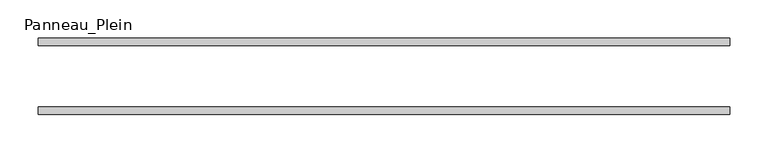
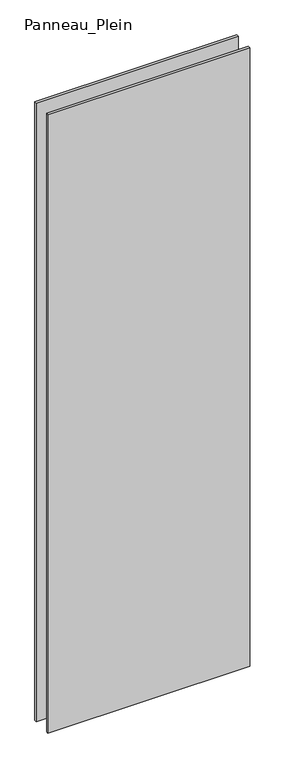
"""IFC4 building model written with IfcOpenShell, lengths in millimetres: plate geometry, Panneau_Plein."""

from ifc_helpers import new_model, si_unit, origin, origin_with_axes, place, context, project, spatial, polyline, outline, extrude, source, transform, mapped, element, save


def panneau_plein_e51324f6(model_context):
    return source(origin(), model_context, "Body", "SweptSolid", [
        extrude(outline(polyline([(452.2777546, 50.0), (452.2777546, 40.0), (-452.2777546, 40.0), (-452.2777546, 50.0), (452.2777546, 50.0)])), origin_with_axes(), (0.0, 0.0, 1.0), 2930.3804804),
        extrude(outline(polyline([(452.2777546, -40.0), (452.2777546, -50.0), (-452.2777546, -50.0), (-452.2777546, -40.0), (452.2777546, -40.0)])), origin_with_axes(), (0.0, 0.0, 1.0), 2930.3804804),
    ])


if __name__ == "__main__":
    model = new_model("IFC4")
    model_context = context("Model", 3, world=origin())
    ifc_project = project(units=[si_unit("LENGTHUNIT", "METRE", prefix="MILLI")], contexts=[model_context])
    site = spatial("IfcSite", under=ifc_project)
    building = spatial("IfcBuilding", under=site)
    placement = place(None, origin())
    panneau_plein_shape = panneau_plein_e51324f6(model_context)
    element("IfcPlate", 1, ObjectType="Panneau_Plein", at=placement, inside=building, context=model_context, shape_type="MappedRepresentation", body=[
        mapped(panneau_plein_shape, transform((0.0, 0.0, 0.0), x_axis=(1.0, 0.0, 0.0), y_axis=(0.0, 1.0, 0.0), z_axis=(0.0, 0.0, 1.0))),
    ])
    save(model, "model.ifc")
